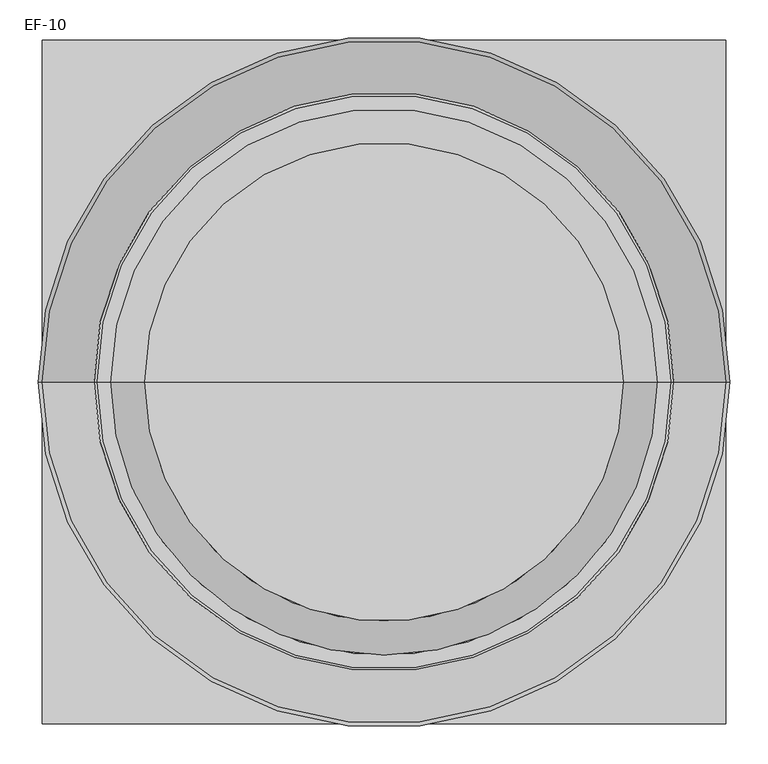
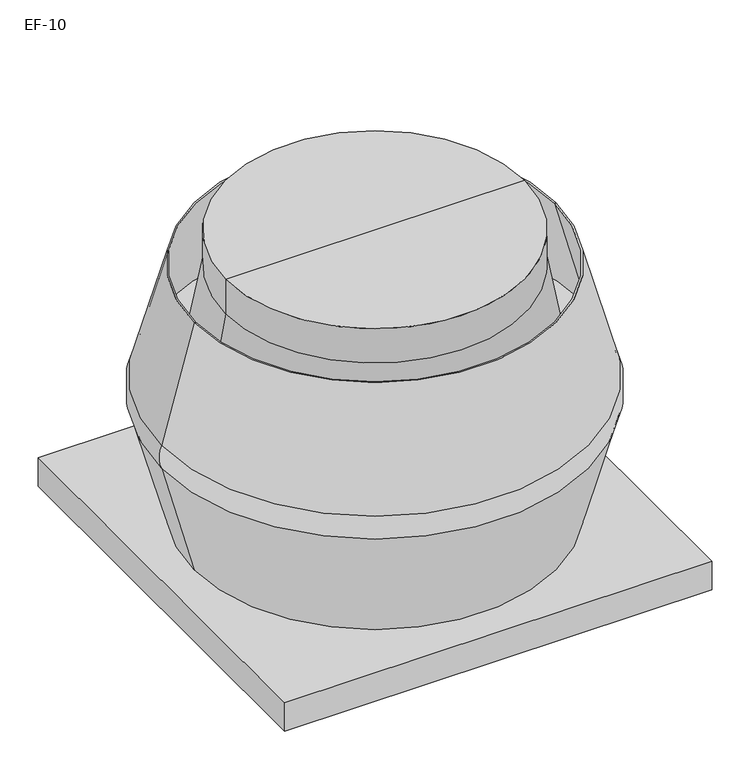
"""IFC4 building model written with IfcOpenShell, lengths in millimetres: proxy geometry, EF-10."""

from ifc_helpers import new_model, si_unit, point, frame, origin, origin_with_axes, place, context, project, spatial, polyline, circle_curve, ellipse_curve, trimmed, source, transform, mapped, element, save
from ifc_brep_helpers import plane_surface, cylinder_surface, revolved_surface, advanced_brep


def ef_10_791af757(model_context):
    return source(origin(), model_context, "Body", "AdvancedBrep", [
        advanced_brep(
        [(449.2625, 0.0, 363.5375), (-449.2625, 0.0, 363.5375), (-381.0, 0.0, 612.775), (381.0, 0.0, 612.775), (449.2625, 0.0, 312.7375), (-449.2625, 0.0, 312.7375), (381.0, 0.0, 63.5), (-381.0, 0.0, 63.5), (279.4, 0.0, 63.5), (0.0, 0.0, 63.5), (-279.4, 0.0, 63.5), (-377.825, 0.0, 612.775), (377.825, 0.0, 612.775), (446.0875, 0.0, 363.5375), (-446.0875, 0.0, 363.5375), (-359.41, 0.0, 363.5375), (359.41, 0.0, 363.5375), (449.2625, 449.2625, 63.5), (-449.2625, 449.2625, 63.5), (-449.2625, -449.2625, 63.5), (449.2625, -449.2625, 63.5), (449.2625, 449.2625, 0.0), (449.2625, -449.2625, 0.0), (-449.2625, -449.2625, 0.0), (-449.2625, 449.2625, 0.0), (-279.4, 0.0, 0.0), (279.4, 0.0, 0.0), (-314.48375, 0.0, 685.8), (314.48375, 0.0, 685.8), (314.48375, 0.0, 609.6), (-314.48375, 0.0, 609.6), (0.0, 0.0, 685.8)],
        [
            (0, 1, circle_curve(frame((0.0, 0.0, 363.5375), z_axis=(0.0, 0.0, 1.0), x_axis=(-1.0, 0.0, 0.0)), 449.2625)),
            (1, 2),
            (2, 3, circle_curve(frame((0.0, 0.0, 612.775), z_axis=(0.0, 0.0, -1.0), x_axis=(-1.0, 0.0, 0.0)), 381.0)),
            (3, 0),
            (1, 0, circle_curve(frame((0.0, 0.0, 363.5375), z_axis=(0.0, 0.0, 1.0), x_axis=(-1.0, 0.0, 0.0)), 449.2625)),
            (3, 2, circle_curve(frame((0.0, 0.0, 612.775), z_axis=(0.0, 0.0, -1.0), x_axis=(-1.0, 0.0, 0.0)), 381.0)),
            (0, 4, circle_curve(frame((395.024906, 0.0, 338.1375), z_axis=(0.0, 1.0, 0.0), x_axis=(-1.0, 0.0, 0.0)), 59.8905385)),
            (4, 5, circle_curve(frame((0.0, 0.0, 312.7375), z_axis=(0.0, 0.0, 1.0), x_axis=(-1.0, 0.0, 0.0)), 449.2625)),
            (5, 1, circle_curve(frame((-395.024906, 0.0, 338.1375), z_axis=(0.0, 1.0, 0.0), x_axis=(1.0, 0.0, 0.0)), 59.8905385)),
            (5, 4, circle_curve(frame((0.0, 0.0, 312.7375), z_axis=(0.0, 0.0, 1.0), x_axis=(-1.0, 0.0, 0.0)), 449.2625)),
            (4, 6),
            (6, 7, circle_curve(frame((0.0, 0.0, 63.5), z_axis=(0.0, 0.0, 1.0), x_axis=(-1.0, 0.0, 0.0)), 381.0)),
            (7, 5),
            (7, 6, circle_curve(frame((0.0, 0.0, 63.5), z_axis=(0.0, 0.0, 1.0), x_axis=(-1.0, 0.0, 0.0)), 381.0)),
            (8, 9),
            (9, 10),
            (10, 8, circle_curve(frame((0.0, 0.0, 63.5), z_axis=(0.0, 0.0, -1.0), x_axis=(1.0, 0.0, 0.0)), 279.4)),
            (8, 10, circle_curve(frame((0.0, 0.0, 63.5), z_axis=(0.0, 0.0, -1.0), x_axis=(1.0, 0.0, 0.0)), 279.4)),
            (2, 11),
            (11, 12, circle_curve(frame((0.0, 0.0, 612.775), z_axis=(0.0, 0.0, -1.0), x_axis=(-1.0, 0.0, 0.0)), 377.825)),
            (12, 3),
            (12, 11, circle_curve(frame((0.0, 0.0, 612.775), z_axis=(0.0, 0.0, -1.0), x_axis=(-1.0, 0.0, 0.0)), 377.825)),
            (13, 12),
            (11, 14),
            (14, 13, circle_curve(frame((0.0, 0.0, 363.5375), z_axis=(0.0, 0.0, -1.0), x_axis=(-1.0, 0.0, 0.0)), 446.0875)),
            (13, 14, circle_curve(frame((0.0, 0.0, 363.5375), z_axis=(0.0, 0.0, -1.0), x_axis=(-1.0, 0.0, 0.0)), 446.0875)),
            (14, 15),
            (15, 16, circle_curve(frame((0.0, 0.0, 363.5375), z_axis=(0.0, 0.0, -1.0), x_axis=(1.0, 0.0, 0.0)), 359.41)),
            (16, 13),
            (16, 15, circle_curve(frame((0.0, 0.0, 363.5375), z_axis=(0.0, 0.0, -1.0), x_axis=(1.0, 0.0, 0.0)), 359.41)),
            (17, 18),
            (18, 19),
            (19, 20),
            (20, 17),
            (21, 22),
            (22, 23),
            (23, 24),
            (24, 21),
            (25, 26, circle_curve(origin_with_axes(), 279.4)),
            (26, 25, circle_curve(origin_with_axes(), 279.4)),
            (17, 21),
            (24, 18),
            (23, 19),
            (22, 20),
            (25, 10),
            (8, 26),
            (27, 28, circle_curve(frame((0.0, 0.0, 685.8), z_axis=(0.0, 0.0, -1.0), x_axis=(1.0, 0.0, 0.0)), 314.48375)),
            (28, 29),
            (29, 30, circle_curve(frame((0.0, 0.0, 609.6), z_axis=(0.0, 0.0, 1.0), x_axis=(1.0, 0.0, 0.0)), 314.48375)),
            (30, 27),
            (28, 27, circle_curve(frame((0.0, 0.0, 685.8), z_axis=(0.0, 0.0, -1.0), x_axis=(1.0, 0.0, 0.0)), 314.48375)),
            (30, 29, circle_curve(frame((0.0, 0.0, 609.6), z_axis=(0.0, 0.0, 1.0), x_axis=(1.0, 0.0, 0.0)), 314.48375)),
            (27, 31),
            (31, 28),
            (29, 16),
            (15, 30),
        ],
        [
            revolved_surface(polyline([(-381.0, 0.0, 612.775), (-449.2625, 0.0, 363.5375)]), (0.0, 0.0, 612.775), (0.0, 0.0, -1.0)),
            revolved_surface(trimmed(ellipse_curve(frame((-395.024906, 0.0, 338.1375), z_axis=(0.0, -1.0, 0.0), x_axis=(1.0, 0.0, 0.0)), 59.8905385, 59.8905385), [point((-449.2625, 0.0, 363.5375))], [point((-449.2625, 0.0, 312.7375))], True, "CARTESIAN"), (0.0, 0.0, 612.775), (0.0, 0.0, -1.0)),
            revolved_surface(polyline([(-449.2625, 0.0, 312.7375), (-381.0, 0.0, 63.5)]), (0.0, 0.0, 612.775), (0.0, 0.0, -1.0)),
            plane_surface(frame((0.0, 0.0, 63.5), z_axis=(0.0, 0.0, -1.0), x_axis=(-1.0, 0.0, 0.0))),
            plane_surface(frame((0.0, 0.0, 612.775), z_axis=(0.0, 0.0, 1.0), x_axis=(-1.0, 0.0, 0.0))),
            revolved_surface(polyline([(-446.0875, 0.0, 363.5375), (-377.825, 0.0, 612.775)]), (0.0, 0.0, 612.775), (0.0, 0.0, -1.0)),
            plane_surface(frame((0.0, 0.0, 363.5375), z_axis=(0.0, 0.0, 1.0), x_axis=(-1.0, 0.0, 0.0))),
            plane_surface(frame((-449.2625, 449.2625, 63.5), z_axis=(0.0, 0.0, 1.0), x_axis=(-1.0, 0.0, 0.0))),
            plane_surface(frame((-449.2625, 449.2625, 0.0), z_axis=(0.0, 0.0, -1.0), x_axis=(1.0, 0.0, 0.0))),
            plane_surface(frame((449.2625, 449.2625, 63.5), z_axis=(0.0, 1.0, 0.0), x_axis=(0.0, 0.0, -1.0))),
            plane_surface(frame((-449.2625, 449.2625, 63.5), z_axis=(-1.0, 0.0, 0.0), x_axis=(0.0, 0.0, -1.0))),
            plane_surface(frame((-449.2625, -449.2625, 63.5), z_axis=(0.0, -1.0, 0.0), x_axis=(0.0, 0.0, -1.0))),
            plane_surface(frame((449.2625, -449.2625, 63.5), z_axis=(1.0, 0.0, 0.0), x_axis=(0.0, 0.0, -1.0))),
            revolved_surface(polyline([(279.4, 0.0, 63.5), (279.4, 0.0, 0.0)]), (0.0, 0.0, 0.0), (0.0, 0.0, 1.0)),
            cylinder_surface(frame((0.0, 0.0, 685.8), z_axis=(0.0, 0.0, 1.0), x_axis=(1.0, 0.0, 0.0)), 314.48375),
            plane_surface(frame((0.0, 0.0, 685.8), z_axis=(0.0, 0.0, 1.0), x_axis=(1.0, 0.0, 0.0))),
            revolved_surface(polyline([(359.41, 0.0, 363.5375), (314.48375, 0.0, 609.6)]), (0.0, 0.0, 685.8), (0.0, 0.0, 1.0)),
        ],
        [
            (0, [[1, 2, 3, 4]]),
            (0, [[-2, 5, -4, 6]]),
            (1, [[-1, 7, 8, 9]]),
            (1, [[-5, -9, 10, -7]]),
            (2, [[-8, 11, 12, 13]]),
            (2, [[-10, -13, 14, -11]]),
            (3, [[15, 16, 17]]),
            (3, [[-15, 18, -16]]),
            (4, [[-3, 19, 20, 21]]),
            (4, [[-6, -21, 22, -19]]),
            (5, [[23, -20, 24, 25]]),
            (5, [[-23, 26, -24, -22]]),
            (6, [[-25, 27, 28, 29]]),
            (6, [[-26, -29, 30, -27]]),
            (7, [[31, 32, 33, 34], [-12, -14]]),
            (8, [[35, 36, 37, 38], [39, 40]]),
            (9, [[-31, 41, -38, 42]]),
            (10, [[-32, -42, -37, 43]]),
            (11, [[-33, -43, -36, 44]]),
            (12, [[-34, -44, -35, -41]]),
            (13, [[45, -18, 46, -39]]),
            (13, [[-45, -40, -46, -17]]),
            (14, [[47, 48, 49, 50]]),
            (14, [[-48, 51, -50, 52]]),
            (15, [[-47, 53, 54]]),
            (15, [[-51, -54, -53]]),
            (16, [[-49, 55, -28, 56]]),
            (16, [[-52, -56, -30, -55]]),
        ],
    ),
    ])


if __name__ == "__main__":
    model = new_model("IFC4")
    model_context = context("Model", 3, world=origin())
    ifc_project = project(units=[si_unit("LENGTHUNIT", "METRE", prefix="MILLI")], contexts=[model_context])
    site = spatial("IfcSite", under=ifc_project)
    building = spatial("IfcBuilding", under=site)
    placement = place(None, origin())
    ef_10_shape = ef_10_791af757(model_context)
    element("IfcBuildingElementProxy", 1, Name="EF-10", ObjectType="EF-10", at=placement, inside=building, context=model_context, shape_type="MappedRepresentation", body=[
        mapped(ef_10_shape, transform((0.0, 0.0, 0.0), x_axis=(1.0, 0.0, 0.0), y_axis=(0.0, 1.0, 0.0), z_axis=(0.0, 0.0, 1.0))),
    ])
    save(model, "model.ifc")
